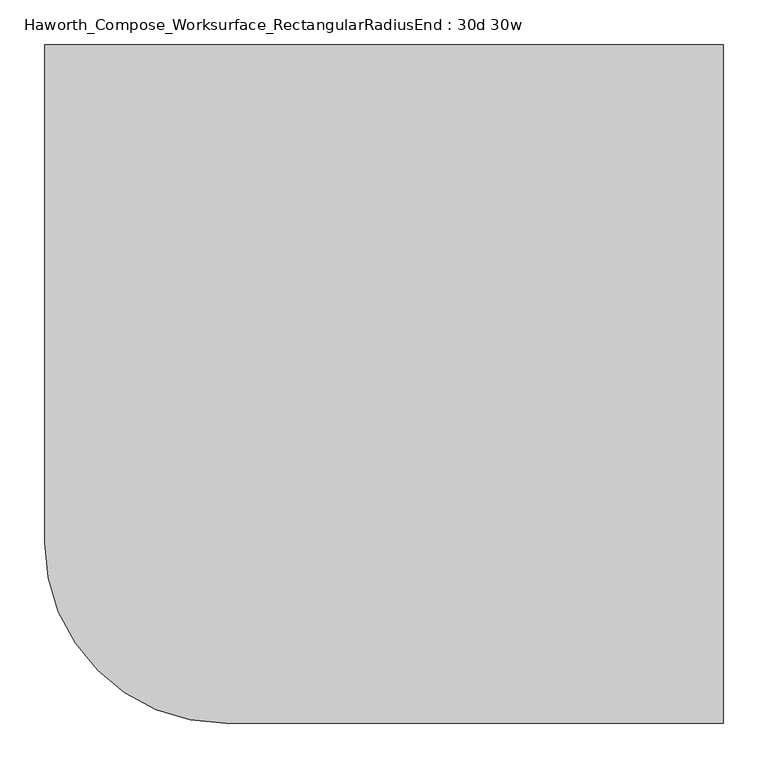
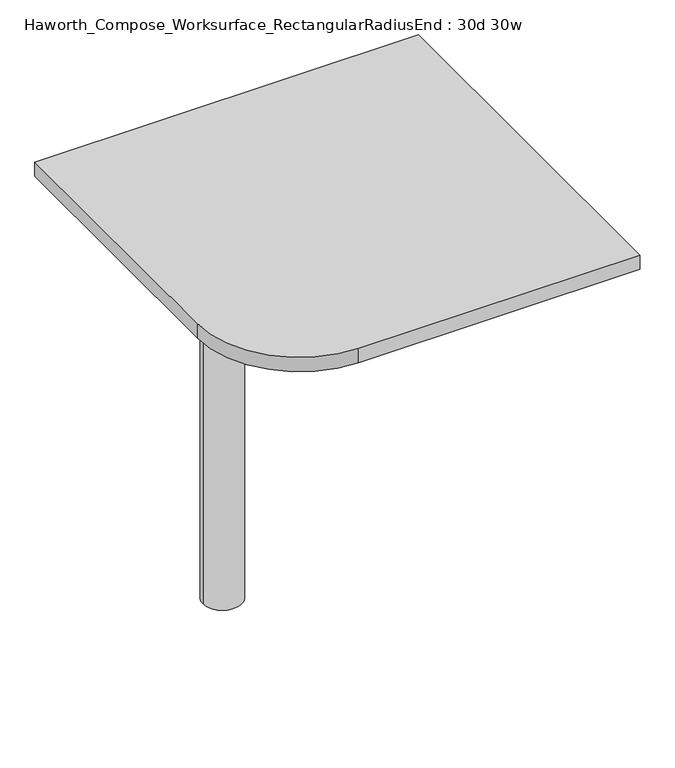
"""IFC4 building model written with IfcOpenShell, lengths in millimetres: furniture geometry, Haworth_Compose_Worksurface_RectangularRadiusEnd : 30d 30w."""

from ifc_helpers import new_model, si_unit, point, frame, frame_2d, origin, place, context, project, spatial, polyline, circle_curve, trimmed, segment, composite_curve, outline, extrude, source, transform, mapped, element, save
from ifc_brep_helpers import plane_surface, cylinder_surface, revolved_surface, advanced_brep


def haworth_compose_worksurface_rectangularradiusend_30d_30w_9d2e8a94(model_context):
    return source(origin(), model_context, "Body", "SolidModel", [
        advanced_brep(
        [(375.44375, 381.0, 475.45625), (375.44375, 365.125, 475.45625), (375.44375, -25.4, 691.7192568), (375.44375, -25.4, 704.05625), (375.44375, 365.125, 704.05625), (375.44375, 381.0, 704.05625), (375.44375, 297.690072, 665.95625), (375.44375, 254.0355284, 665.95625), (375.44375, 251.3564235, 656.3705539), (375.44375, 343.0776173, 605.5776439), (375.44375, 352.425, 611.1756969), (375.44375, 352.425, 634.6860246), (375.44375, 350.6730055, 637.5242776), (375.44375, 300.7663437, 665.1613425), (377.825, 381.0, 475.45625), (377.825, 381.0, 704.05625), (377.825, 365.125, 704.05625), (377.825, 365.125, 706.4375), (377.825, -25.4, 706.4375), (377.825, -25.4, 691.7192568), (377.825, 365.125, 475.45625), (377.825, 297.690072, 665.95625), (377.825, 300.7663437, 665.1613425), (377.825, 350.6730055, 637.5242776), (377.825, 352.425, 634.6860246), (377.825, 352.425, 611.1756969), (377.825, 343.0776173, 605.5776439), (377.825, 251.3564235, 656.3705539), (377.825, 254.0355284, 665.95625), (336.55, -25.4, 706.4375), (336.55, -25.4, 704.05625), (336.55, 365.125, 704.05625), (336.55, 365.125, 706.4375)],
        [
            (0, 1),
            (1, 2),
            (2, 3),
            (3, 4),
            (4, 5),
            (5, 0),
            (6, 7),
            (7, 8, circle_curve(frame((375.44375, 254.0355284, 660.7890106), z_axis=(1.0, 0.0, 0.0), x_axis=(0.0, -1.0, 0.0)), 5.1672394)),
            (8, 9),
            (9, 10, circle_curve(frame((375.44375, 346.075, 611.1756969), z_axis=(1.0, 0.0, 0.0), x_axis=(0.0, -1.0, 0.0)), 6.35)),
            (10, 11),
            (11, 12, circle_curve(frame((375.44375, 349.25, 634.6860246), z_axis=(1.0, 0.0, 0.0), x_axis=(0.0, -1.0, 0.0)), 3.175)),
            (12, 13),
            (13, 6, circle_curve(frame((375.44375, 297.690072, 659.60625), z_axis=(1.0, 0.0, 0.0), x_axis=(0.0, -1.0, 0.0)), 6.35)),
            (14, 15),
            (15, 16),
            (16, 17),
            (17, 18),
            (18, 19),
            (19, 20),
            (20, 14),
            (21, 22, circle_curve(frame((377.825, 297.690072, 659.60625), z_axis=(-1.0, 0.0, 0.0), x_axis=(0.0, -1.0, 0.0)), 6.35)),
            (22, 23),
            (23, 24, circle_curve(frame((377.825, 349.25, 634.6860246), z_axis=(-1.0, 0.0, 0.0), x_axis=(0.0, -1.0, 0.0)), 3.175)),
            (24, 25),
            (25, 26, circle_curve(frame((377.825, 346.075, 611.1756969), z_axis=(-1.0, 0.0, 0.0), x_axis=(0.0, -1.0, 0.0)), 6.35)),
            (26, 27),
            (27, 28, circle_curve(frame((377.825, 254.0355284, 660.7890106), z_axis=(-1.0, 0.0, 0.0), x_axis=(0.0, -1.0, 0.0)), 5.1672394)),
            (28, 21),
            (4, 16),
            (15, 5),
            (14, 0),
            (20, 1),
            (19, 2),
            (18, 29),
            (29, 30),
            (30, 3),
            (6, 21),
            (28, 7),
            (9, 26),
            (25, 10),
            (24, 11),
            (23, 12),
            (27, 8),
            (31, 4),
            (30, 31),
            (32, 29),
            (17, 32),
            (31, 32),
            (22, 13),
        ],
        [
            plane_surface(frame((375.44375, 381.0, 475.45625), z_axis=(-1.0, 0.0, 0.0), x_axis=(0.0, 1.0, 0.0))),
            plane_surface(frame((377.825, 381.0, 475.45625), z_axis=(1.0, 0.0, 0.0), x_axis=(0.0, -1.0, 0.0))),
            plane_surface(frame((377.825, -25.4, 704.05625), z_axis=(0.0, 0.0, 1.0), x_axis=(-1.0, 0.0, 0.0))),
            plane_surface(frame((377.825, 381.0, 704.05625), z_axis=(0.0, 1.0, 0.0), x_axis=(-1.0, 0.0, 0.0))),
            plane_surface(frame((377.825, 381.0, 475.45625), z_axis=(0.0, 0.0, -1.0), x_axis=(-1.0, 0.0, 0.0))),
            plane_surface(frame((377.825, 365.125, 475.45625), z_axis=(0.0, -0.48445223513455843, -0.8748177135112952), x_axis=(-1.0, 0.0, 0.0))),
            plane_surface(frame((377.825, -25.4, 691.7192568), z_axis=(0.0, -1.0, 0.0), x_axis=(-1.0, 0.0, 0.0))),
            plane_surface(frame((377.825, 297.690072, 665.95625), z_axis=(0.0, 0.0, -1.0), x_axis=(-1.0, 0.0, 0.0))),
            revolved_surface(polyline([(375.44375, 339.72499999999997, 611.1756969), (377.825, 339.72499999999997, 611.1756969)]), (377.825, 346.075, 611.1756969), (-1.0, 0.0, 0.0)),
            plane_surface(frame((377.825, 352.425, 611.1756969), z_axis=(0.0, -1.0, 0.0), x_axis=(-1.0, 0.0, 0.0))),
            revolved_surface(polyline([(375.44375, 346.075, 634.6860246), (377.825, 346.075, 634.6860246)]), (377.825, 349.25, 634.6860246), (-1.0, 0.0, 0.0)),
            revolved_surface(polyline([(375.44375, 248.868289, 660.7890106), (377.825, 248.868289, 660.7890106)]), (377.825, 254.0355284, 660.7890106), (-1.0, 0.0, 0.0)),
            plane_surface(frame((377.825, 365.125, 704.05625), z_axis=(0.0, 0.0, -1.0), x_axis=(-1.0, 0.0, 0.0))),
            plane_surface(frame((377.825, 365.125, 706.4375), z_axis=(0.0, 0.0, 1.0), x_axis=(1.0, 0.0, 0.0))),
            plane_surface(frame((336.55, 365.125, 706.4375), z_axis=(0.0, 1.0, 0.0), x_axis=(0.0, 0.0, -1.0))),
            plane_surface(frame((336.55, -25.4, 706.4375), z_axis=(-1.0, 0.0, 0.0), x_axis=(0.0, 0.0, -1.0))),
            plane_surface(frame((377.825, 251.3564235, 656.3705539), z_axis=(0.0, 0.4844522351345583, 0.8748177135112953), x_axis=(-1.0, 0.0, 0.0))),
            plane_surface(frame((377.825, 350.6730055, 637.5242776), z_axis=(0.0, -0.4844522351345582, -0.8748177135112953), x_axis=(-1.0, 0.0, 0.0))),
            revolved_surface(polyline([(375.44375, 291.34007199999996, 659.60625), (377.825, 291.34007199999996, 659.60625)]), (377.825, 297.690072, 659.60625), (-1.0, 0.0, 0.0)),
        ],
        [
            (0, [[1, 2, 3, 4, 5, 6], [7, 8, 9, 10, 11, 12, 13, 14]]),
            (1, [[15, 16, 17, 18, 19, 20, 21], [22, 23, 24, 25, 26, 27, 28, 29]]),
            (2, [[-5, 30, -16, 31]]),
            (3, [[-31, -15, 32, -6]]),
            (4, [[-32, -21, 33, -1]]),
            (5, [[-33, -20, 34, -2]]),
            (6, [[-34, -19, 35, 36, 37, -3]]),
            (7, [[38, -29, 39, -7]]),
            (8, [[40, -26, 41, -10]]),
            (9, [[-41, -25, 42, -11]]),
            (10, [[-42, -24, 43, -12]]),
            (11, [[-39, -28, 44, -8]]),
            (12, [[45, -4, -37, 46]]),
            (13, [[47, -35, -18, 48]]),
            (14, [[-17, -30, -45, 49, -48]]),
            (15, [[-36, -47, -49, -46]]),
            (16, [[-44, -27, -40, -9]]),
            (17, [[-43, -23, 50, -13]]),
            (18, [[-50, -22, -38, -14]]),
        ],
    ),
        advanced_brep(
        [(-190.5, 0.0, 706.4375), (-266.7, 0.0, 706.4375), (-228.6, 0.0, 706.4375), (-190.5, 0.0, 0.0), (-266.7, 0.0, 0.0), (-228.6, 0.0, 0.0)],
        [
            (0, 1, circle_curve(frame((-228.6, 0.0, 706.4375), z_axis=(0.0, 0.0, 1.0), x_axis=(-1.0, 0.0, 0.0)), 38.1)),
            (1, 2),
            (2, 0),
            (1, 0, circle_curve(frame((-228.6, 0.0, 706.4375), z_axis=(0.0, 0.0, 1.0), x_axis=(-1.0, 0.0, 0.0)), 38.1)),
            (3, 4, circle_curve(frame((-228.6, 0.0, 0.0), z_axis=(0.0, 0.0, 1.0), x_axis=(-1.0, 0.0, 0.0)), 38.1)),
            (4, 1),
            (0, 3),
            (4, 3, circle_curve(frame((-228.6, 0.0, 0.0), z_axis=(0.0, 0.0, 1.0), x_axis=(-1.0, 0.0, 0.0)), 38.1)),
            (5, 4),
            (3, 5),
        ],
        [
            plane_surface(frame((-228.6, 0.0, 706.4375), z_axis=(0.0, 0.0, 1.0), x_axis=(-1.0, 0.0, 0.0))),
            cylinder_surface(frame((-228.6, 0.0, 889.623257), z_axis=(0.0, 0.0, -1.0), x_axis=(-1.0, 0.0, 0.0)), 38.1),
            plane_surface(frame((-228.6, 0.0, 0.0), z_axis=(0.0, 0.0, -1.0), x_axis=(-1.0, 0.0, 0.0))),
        ],
        [
            (0, [[1, 2, 3]]),
            (0, [[4, -3, -2]]),
            (1, [[5, 6, -1, 7]]),
            (1, [[8, -7, -4, -6]]),
            (2, [[9, -5, 10]]),
            (2, [[-10, -8, -9]]),
        ],
    ),
        extrude(outline(composite_curve([segment(polyline([(381.0, 381.0), (381.0, -381.0), (-177.8, -381.0)]), True, "CONTINUOUS"), segment(trimmed(circle_curve(frame_2d((-177.8, -177.8)), 203.2), [point((-177.8, -381.0))], [point((-381.0, -177.8))], False, "CARTESIAN"), True, "CONTINUOUS"), segment(polyline([(-381.0, -177.8), (-381.0, 381.0), (381.0, 381.0)]), True, "CONTINUOUS")], self_intersect=False)), frame((0.0, 0.0, 706.4375), z_axis=(0.0, 0.0, 1.0), x_axis=(1.0, 0.0, 0.0)), (0.0, 0.0, 1.0), 30.1625),
    ])


if __name__ == "__main__":
    model = new_model("IFC4")
    model_context = context("Model", 3, world=origin())
    ifc_project = project(units=[si_unit("LENGTHUNIT", "METRE", prefix="MILLI")], contexts=[model_context])
    site = spatial("IfcSite", under=ifc_project)
    building = spatial("IfcBuilding", under=site)
    placement = place(None, origin())
    haworth_compose_worksurface_rectangularradiusend_30d_30w_shape = haworth_compose_worksurface_rectangularradiusend_30d_30w_9d2e8a94(model_context)
    element("IfcFurniture", 1, ObjectType="Haworth_Compose_Worksurface_RectangularRadiusEnd : 30d 30w", at=placement, inside=building, context=model_context, shape_type="MappedRepresentation", body=[
        mapped(haworth_compose_worksurface_rectangularradiusend_30d_30w_shape, transform((0.0, 0.0, 0.0), x_axis=(1.0, 0.0, 0.0), y_axis=(0.0, 1.0, 0.0), z_axis=(0.0, 0.0, 1.0))),
    ])
    save(model, "model.ifc")
